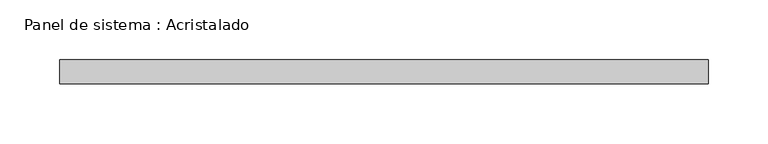
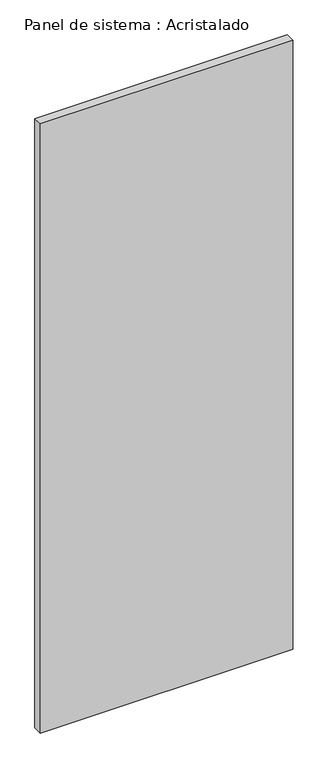
"""IFC4 building model written with IfcOpenShell, lengths in millimetres: plate geometry, Panel de sistema : Acristalado."""

from ifc_helpers import new_model, si_unit, origin, origin_with_axes, place, context, project, spatial, polyline, outline, extrude, source, transform, mapped, element, save


def panel_de_sistema_acristalado_6a0f0052(model_context):
    return source(origin(), model_context, "Body", "SweptSolid", [
        extrude(outline(polyline([(271.0, -10.0), (-271.0, -10.0), (-271.0, 10.0), (271.0, 10.0), (271.0, -10.0)])), origin_with_axes(), (0.0, 0.0, 1.0), 1382.4904288),
    ])


if __name__ == "__main__":
    model = new_model("IFC4")
    model_context = context("Model", 3, world=origin())
    ifc_project = project(units=[si_unit("LENGTHUNIT", "METRE", prefix="MILLI")], contexts=[model_context])
    site = spatial("IfcSite", under=ifc_project)
    building = spatial("IfcBuilding", under=site)
    placement = place(None, origin())
    panel_de_sistema_acristalado_shape = panel_de_sistema_acristalado_6a0f0052(model_context)
    element("IfcPlate", 1, ObjectType="Panel de sistema : Acristalado", at=placement, inside=building, context=model_context, shape_type="MappedRepresentation", body=[
        mapped(panel_de_sistema_acristalado_shape, transform((0.0, 0.0, 0.0), x_axis=(1.0, 0.0, 0.0), y_axis=(0.0, 1.0, 0.0), z_axis=(0.0, 0.0, 1.0))),
    ])
    save(model, "model.ifc")
